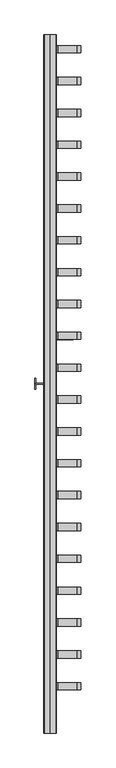
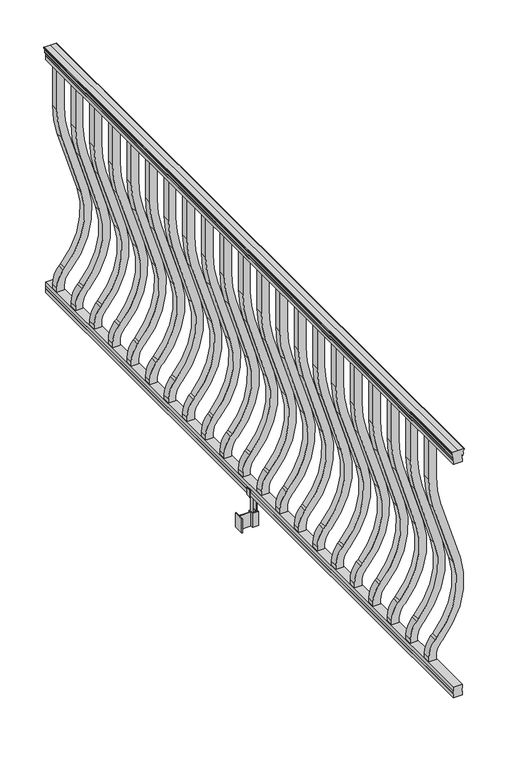
"""IFC4 building model written with IfcOpenShell, lengths in millimetres: railing geometry."""

from ifc_helpers import new_model, si_unit, point, frame, frame_2d, origin, place, context, project, spatial, polyline, circle_curve, trimmed, segment, composite_curve, outline, extrude, source, transform, mapped, element, save


def railing_dcac735f(model_context):
    return source(origin(), model_context, "Body", "SweptSolid", [
        extrude(outline(composite_curve([segment(polyline([(938.4043297, 949.2470786), (940.292412, 949.2470786)]), True, "CONTINUOUS"), segment(trimmed(circle_curve(frame_2d((946.0506383, 942.9323253)), 8.545951), [point((940.292412, 949.2470786))], [point((941.8546695, 950.3772649))], False, "CARTESIAN"), True, "CONTINUOUS"), segment(trimmed(circle_curve(frame_2d((945.4636577, 943.3693883)), 7.882584), [point((941.8546695, 950.3772649))], [point((949.0726458, 950.3772649))], False, "CARTESIAN"), True, "CONTINUOUS"), segment(trimmed(circle_curve(frame_2d((951.3112527, 953.8827124)), 4.1592695), [point((949.0726458, 950.3772649))], [point((951.5060812, 949.7280085))], True, "CARTESIAN"), True, "CONTINUOUS"), segment(trimmed(circle_curve(frame_2d((951.2508864, 955.1700189)), 5.4479907), [point((951.5060812, 949.7280085))], [point((955.8362083, 952.2280085))], True, "CARTESIAN"), True, "CONTINUOUS"), segment(trimmed(circle_curve(frame_2d((955.833395, 953.9368605)), 1.7088543), [point((955.8362083, 952.2280085))], [point((957.5157972, 953.6373509))], True, "CARTESIAN"), True, "CONTINUOUS"), segment(trimmed(circle_curve(frame_2d((958.6205318, 952.3199604)), 1.7192895), [point((957.5157972, 953.6373509))], [point((958.6205318, 954.0392499))], False, "CARTESIAN"), True, "CONTINUOUS"), segment(polyline([(958.6205318, 954.0392499), (959.9608158, 954.0392498)]), True, "CONTINUOUS"), segment(trimmed(circle_curve(frame_2d((959.9608158, 952.4858026)), 1.5534472), [point((959.9608158, 954.0392498))], [point((961.514263, 952.4858026))], False, "CARTESIAN"), True, "CONTINUOUS"), segment(polyline([(961.514263, 952.4858026), (961.514263, 931.8142498), (961.514263, 911.1426971)]), True, "CONTINUOUS"), segment(trimmed(circle_curve(frame_2d((959.9608158, 911.1426971)), 1.5534472), [point((961.514263, 911.1426971))], [point((959.9608158, 909.5892498))], False, "CARTESIAN"), True, "CONTINUOUS"), segment(polyline([(959.9608158, 909.5892498), (958.6205318, 909.5892498)]), True, "CONTINUOUS"), segment(trimmed(circle_curve(frame_2d((958.6205318, 911.3085393)), 1.7192895), [point((958.6205318, 909.5892498))], [point((957.5157972, 909.9911488))], False, "CARTESIAN"), True, "CONTINUOUS"), segment(trimmed(circle_curve(frame_2d((955.833395, 909.6916392)), 1.7088543), [point((957.5157972, 909.9911488))], [point((955.8362083, 911.4004912))], True, "CARTESIAN"), True, "CONTINUOUS"), segment(trimmed(circle_curve(frame_2d((951.2508864, 908.4584807)), 5.4479907), [point((955.8362083, 911.4004912))], [point((951.5060812, 913.9004912))], True, "CARTESIAN"), True, "CONTINUOUS"), segment(trimmed(circle_curve(frame_2d((951.3112527, 909.7457873)), 4.1592695), [point((951.5060812, 913.9004912))], [point((949.0726458, 913.2512348))], True, "CARTESIAN"), True, "CONTINUOUS"), segment(trimmed(circle_curve(frame_2d((945.4636577, 920.2591114)), 7.882584), [point((949.0726458, 913.2512348))], [point((941.8546695, 913.2512348))], False, "CARTESIAN"), True, "CONTINUOUS"), segment(trimmed(circle_curve(frame_2d((946.0506383, 920.6961744)), 8.545951), [point((941.8546695, 913.2512348))], [point((940.292412, 914.3814211))], False, "CARTESIAN"), True, "CONTINUOUS"), segment(polyline([(940.292412, 914.3814211), (938.4043297, 914.3814211)]), True, "CONTINUOUS"), segment(trimmed(circle_curve(frame_2d((938.4043297, 915.6683355)), 1.2869144), [point((938.4043297, 914.3814211))], [point((938.4043297, 916.9552498))], False, "CARTESIAN"), True, "CONTINUOUS"), segment(polyline([(938.4043297, 916.9552498), (927.9048283, 916.9552498), (926.8888283, 915.9392498), (914.4, 915.9392498), (914.4, 947.6892498), (926.731013, 947.6892498), (927.747013, 946.6732498), (938.4043297, 946.6732498)]), True, "CONTINUOUS"), segment(trimmed(circle_curve(frame_2d((938.4043297, 947.9601642)), 1.2869144), [point((938.4043297, 946.6732498))], [point((938.4043297, 949.2470786))], False, "CARTESIAN"), True, "CONTINUOUS")], self_intersect=False)), frame((0.0, -48197.7191011, 0.0), z_axis=(0.0, 1.0, 0.0), x_axis=(0.0, 0.0, 1.0)), (0.0, 0.0, 1.0), 2438.4),
        extrude(outline(polyline([(76.0541976, 947.7267367), (77.3546183, 946.7107367), (87.7141717, 946.7107367), (89.0624492, 947.7267367), (101.5958781, 947.7267367), (101.5958781, 915.9767367), (89.0458024, 915.9767367), (87.6975248, 916.9927367), (77.3858283, 916.9927367), (76.0375508, 915.9767367), (63.5, 915.9767367), (63.5, 947.7267367), (76.0541976, 947.7267367)])), frame((0.0, -48197.7191011, 0.0), z_axis=(0.0, 1.0, 0.0), x_axis=(0.0, 0.0, 1.0)), (0.0, 0.0, 1.0), 2438.4),
        extrude(outline(composite_curve([segment(polyline([(768.63216, 944.5142498), (914.4, 944.5142498), (914.4, 919.1142498), (768.63216, 919.1142498)]), True, "CONTINUOUS"), segment(trimmed(circle_curve(frame_2d((768.63216, 1291.8142498)), 372.7), [point((768.63216, 919.1142498))], [point((659.6652257, 935.3994673))], False, "CARTESIAN"), True, "CONTINUOUS"), segment(polyline([(659.6652257, 935.3994673), (437.8121964, 1003.2267451)]), True, "CONTINUOUS"), segment(trimmed(circle_curve(frame_2d((359.6612397, 747.6064839)), 267.3), [point((437.8121964, 1003.2267451))], [point((181.5522516, 946.9215067))], True, "CARTESIAN"), True, "CONTINUOUS"), segment(polyline([(181.5522516, 946.9215067), (175.3955374, 941.4198334)]), True, "CONTINUOUS"), segment(trimmed(circle_curve(frame_2d((116.9587313, 1006.8142498)), 87.7), [point((175.3955374, 941.4198334))], [point((116.9587313, 919.1142498))], False, "CARTESIAN"), True, "CONTINUOUS"), segment(polyline([(116.9587313, 919.1142498), (101.5958781, 919.1142498), (101.5958781, 944.5142498), (116.9587313, 944.5142498)]), True, "CONTINUOUS"), segment(trimmed(circle_curve(frame_2d((116.9587313, 1006.8142498)), 62.3), [point((116.9587313, 944.5142498))], [point((158.4708524, 960.3596074))], True, "CARTESIAN"), True, "CONTINUOUS"), segment(polyline([(158.4708524, 960.3596074), (164.6275666, 965.8612807)]), True, "CONTINUOUS"), segment(trimmed(circle_curve(frame_2d((359.6612397, 747.6064839)), 292.7), [point((164.6275666, 965.8612807))], [point((445.2384377, 1027.5168859))], False, "CARTESIAN"), True, "CONTINUOUS"), segment(polyline([(445.2384377, 1027.5168859), (667.091467, 959.6896081)]), True, "CONTINUOUS"), segment(trimmed(circle_curve(frame_2d((768.63216, 1291.8142498)), 347.3), [point((667.091467, 959.6896081))], [point((768.63216, 944.5142498))], True, "CARTESIAN"), True, "CONTINUOUS")], self_intersect=False)), frame((0.0, -45821.8031011, 0.0), z_axis=(0.0, 1.0, 0.0), x_axis=(0.0, 0.0, 1.0)), (0.0, 0.0, 1.0), 25.4),
        extrude(outline(composite_curve([segment(polyline([(768.63216, 944.5142498), (914.4, 944.5142498), (914.4, 919.1142498), (768.63216, 919.1142498)]), True, "CONTINUOUS"), segment(trimmed(circle_curve(frame_2d((768.63216, 1291.8142498)), 372.7), [point((768.63216, 919.1142498))], [point((659.6652257, 935.3994673))], False, "CARTESIAN"), True, "CONTINUOUS"), segment(polyline([(659.6652257, 935.3994673), (437.8121964, 1003.2267451)]), True, "CONTINUOUS"), segment(trimmed(circle_curve(frame_2d((359.6612397, 747.6064839)), 267.3), [point((437.8121964, 1003.2267451))], [point((181.5522516, 946.9215067))], True, "CARTESIAN"), True, "CONTINUOUS"), segment(polyline([(181.5522516, 946.9215067), (175.3955374, 941.4198334)]), True, "CONTINUOUS"), segment(trimmed(circle_curve(frame_2d((116.9587313, 1006.8142498)), 87.7), [point((175.3955374, 941.4198334))], [point((116.9587313, 919.1142498))], False, "CARTESIAN"), True, "CONTINUOUS"), segment(polyline([(116.9587313, 919.1142498), (101.5958781, 919.1142498), (101.5958781, 944.5142498), (116.9587313, 944.5142498)]), True, "CONTINUOUS"), segment(trimmed(circle_curve(frame_2d((116.9587313, 1006.8142498)), 62.3), [point((116.9587313, 944.5142498))], [point((158.4708524, 960.3596074))], True, "CARTESIAN"), True, "CONTINUOUS"), segment(polyline([(158.4708524, 960.3596074), (164.6275666, 965.8612807)]), True, "CONTINUOUS"), segment(trimmed(circle_curve(frame_2d((359.6612397, 747.6064839)), 292.7), [point((164.6275666, 965.8612807))], [point((445.2384377, 1027.5168859))], False, "CARTESIAN"), True, "CONTINUOUS"), segment(polyline([(445.2384377, 1027.5168859), (667.091467, 959.6896081)]), True, "CONTINUOUS"), segment(trimmed(circle_curve(frame_2d((768.63216, 1291.8142498)), 347.3), [point((667.091467, 959.6896081))], [point((768.63216, 944.5142498))], True, "CARTESIAN"), True, "CONTINUOUS")], self_intersect=False)), frame((0.0, -45933.0551011, 0.0), z_axis=(0.0, 1.0, 0.0), x_axis=(0.0, 0.0, 1.0)), (0.0, 0.0, 1.0), 25.4),
        extrude(outline(composite_curve([segment(polyline([(768.63216, 944.5142498), (914.4, 944.5142498), (914.4, 919.1142498), (768.63216, 919.1142498)]), True, "CONTINUOUS"), segment(trimmed(circle_curve(frame_2d((768.63216, 1291.8142498)), 372.7), [point((768.63216, 919.1142498))], [point((659.6652257, 935.3994673))], False, "CARTESIAN"), True, "CONTINUOUS"), segment(polyline([(659.6652257, 935.3994673), (437.8121964, 1003.2267451)]), True, "CONTINUOUS"), segment(trimmed(circle_curve(frame_2d((359.6612397, 747.6064839)), 267.3), [point((437.8121964, 1003.2267451))], [point((181.5522516, 946.9215067))], True, "CARTESIAN"), True, "CONTINUOUS"), segment(polyline([(181.5522516, 946.9215067), (175.3955374, 941.4198334)]), True, "CONTINUOUS"), segment(trimmed(circle_curve(frame_2d((116.9587313, 1006.8142498)), 87.7), [point((175.3955374, 941.4198334))], [point((116.9587313, 919.1142498))], False, "CARTESIAN"), True, "CONTINUOUS"), segment(polyline([(116.9587313, 919.1142498), (101.5958781, 919.1142498), (101.5958781, 944.5142498), (116.9587313, 944.5142498)]), True, "CONTINUOUS"), segment(trimmed(circle_curve(frame_2d((116.9587313, 1006.8142498)), 62.3), [point((116.9587313, 944.5142498))], [point((158.4708524, 960.3596074))], True, "CARTESIAN"), True, "CONTINUOUS"), segment(polyline([(158.4708524, 960.3596074), (164.6275666, 965.8612807)]), True, "CONTINUOUS"), segment(trimmed(circle_curve(frame_2d((359.6612397, 747.6064839)), 292.7), [point((164.6275666, 965.8612807))], [point((445.2384377, 1027.5168859))], False, "CARTESIAN"), True, "CONTINUOUS"), segment(polyline([(445.2384377, 1027.5168859), (667.091467, 959.6896081)]), True, "CONTINUOUS"), segment(trimmed(circle_curve(frame_2d((768.63216, 1291.8142498)), 347.3), [point((667.091467, 959.6896081))], [point((768.63216, 944.5142498))], True, "CARTESIAN"), True, "CONTINUOUS")], self_intersect=False)), frame((0.0, -46044.3071011, 0.0), z_axis=(0.0, 1.0, 0.0), x_axis=(0.0, 0.0, 1.0)), (0.0, 0.0, 1.0), 25.4),
        extrude(outline(composite_curve([segment(polyline([(768.63216, 944.5142498), (914.4, 944.5142498), (914.4, 919.1142498), (768.63216, 919.1142498)]), True, "CONTINUOUS"), segment(trimmed(circle_curve(frame_2d((768.63216, 1291.8142498)), 372.7), [point((768.63216, 919.1142498))], [point((659.6652257, 935.3994673))], False, "CARTESIAN"), True, "CONTINUOUS"), segment(polyline([(659.6652257, 935.3994673), (437.8121964, 1003.2267451)]), True, "CONTINUOUS"), segment(trimmed(circle_curve(frame_2d((359.6612397, 747.6064839)), 267.3), [point((437.8121964, 1003.2267451))], [point((181.5522516, 946.9215067))], True, "CARTESIAN"), True, "CONTINUOUS"), segment(polyline([(181.5522516, 946.9215067), (175.3955374, 941.4198334)]), True, "CONTINUOUS"), segment(trimmed(circle_curve(frame_2d((116.9587313, 1006.8142498)), 87.7), [point((175.3955374, 941.4198334))], [point((116.9587313, 919.1142498))], False, "CARTESIAN"), True, "CONTINUOUS"), segment(polyline([(116.9587313, 919.1142498), (101.5958781, 919.1142498), (101.5958781, 944.5142498), (116.9587313, 944.5142498)]), True, "CONTINUOUS"), segment(trimmed(circle_curve(frame_2d((116.9587313, 1006.8142498)), 62.3), [point((116.9587313, 944.5142498))], [point((158.4708524, 960.3596074))], True, "CARTESIAN"), True, "CONTINUOUS"), segment(polyline([(158.4708524, 960.3596074), (164.6275666, 965.8612807)]), True, "CONTINUOUS"), segment(trimmed(circle_curve(frame_2d((359.6612397, 747.6064839)), 292.7), [point((164.6275666, 965.8612807))], [point((445.2384377, 1027.5168859))], False, "CARTESIAN"), True, "CONTINUOUS"), segment(polyline([(445.2384377, 1027.5168859), (667.091467, 959.6896081)]), True, "CONTINUOUS"), segment(trimmed(circle_curve(frame_2d((768.63216, 1291.8142498)), 347.3), [point((667.091467, 959.6896081))], [point((768.63216, 944.5142498))], True, "CARTESIAN"), True, "CONTINUOUS")], self_intersect=False)), frame((0.0, -46155.5591011, 0.0), z_axis=(0.0, 1.0, 0.0), x_axis=(0.0, 0.0, 1.0)), (0.0, 0.0, 1.0), 25.4),
        extrude(outline(composite_curve([segment(polyline([(768.63216, 944.5142498), (914.4, 944.5142498), (914.4, 919.1142498), (768.63216, 919.1142498)]), True, "CONTINUOUS"), segment(trimmed(circle_curve(frame_2d((768.63216, 1291.8142498)), 372.7), [point((768.63216, 919.1142498))], [point((659.6652257, 935.3994673))], False, "CARTESIAN"), True, "CONTINUOUS"), segment(polyline([(659.6652257, 935.3994673), (437.8121964, 1003.2267451)]), True, "CONTINUOUS"), segment(trimmed(circle_curve(frame_2d((359.6612397, 747.6064839)), 267.3), [point((437.8121964, 1003.2267451))], [point((181.5522516, 946.9215067))], True, "CARTESIAN"), True, "CONTINUOUS"), segment(polyline([(181.5522516, 946.9215067), (175.3955374, 941.4198334)]), True, "CONTINUOUS"), segment(trimmed(circle_curve(frame_2d((116.9587313, 1006.8142498)), 87.7), [point((175.3955374, 941.4198334))], [point((116.9587313, 919.1142498))], False, "CARTESIAN"), True, "CONTINUOUS"), segment(polyline([(116.9587313, 919.1142498), (101.5958781, 919.1142498), (101.5958781, 944.5142498), (116.9587313, 944.5142498)]), True, "CONTINUOUS"), segment(trimmed(circle_curve(frame_2d((116.9587313, 1006.8142498)), 62.3), [point((116.9587313, 944.5142498))], [point((158.4708524, 960.3596074))], True, "CARTESIAN"), True, "CONTINUOUS"), segment(polyline([(158.4708524, 960.3596074), (164.6275666, 965.8612807)]), True, "CONTINUOUS"), segment(trimmed(circle_curve(frame_2d((359.6612397, 747.6064839)), 292.7), [point((164.6275666, 965.8612807))], [point((445.2384377, 1027.5168859))], False, "CARTESIAN"), True, "CONTINUOUS"), segment(polyline([(445.2384377, 1027.5168859), (667.091467, 959.6896081)]), True, "CONTINUOUS"), segment(trimmed(circle_curve(frame_2d((768.63216, 1291.8142498)), 347.3), [point((667.091467, 959.6896081))], [point((768.63216, 944.5142498))], True, "CARTESIAN"), True, "CONTINUOUS")], self_intersect=False)), frame((0.0, -46266.8111011, 0.0), z_axis=(0.0, 1.0, 0.0), x_axis=(0.0, 0.0, 1.0)), (0.0, 0.0, 1.0), 25.4),
        extrude(outline(composite_curve([segment(polyline([(768.63216, 944.5142498), (914.4, 944.5142498), (914.4, 919.1142498), (768.63216, 919.1142498)]), True, "CONTINUOUS"), segment(trimmed(circle_curve(frame_2d((768.63216, 1291.8142498)), 372.7), [point((768.63216, 919.1142498))], [point((659.6652257, 935.3994673))], False, "CARTESIAN"), True, "CONTINUOUS"), segment(polyline([(659.6652257, 935.3994673), (437.8121964, 1003.2267451)]), True, "CONTINUOUS"), segment(trimmed(circle_curve(frame_2d((359.6612397, 747.6064839)), 267.3), [point((437.8121964, 1003.2267451))], [point((181.5522516, 946.9215067))], True, "CARTESIAN"), True, "CONTINUOUS"), segment(polyline([(181.5522516, 946.9215067), (175.3955374, 941.4198334)]), True, "CONTINUOUS"), segment(trimmed(circle_curve(frame_2d((116.9587313, 1006.8142498)), 87.7), [point((175.3955374, 941.4198334))], [point((116.9587313, 919.1142498))], False, "CARTESIAN"), True, "CONTINUOUS"), segment(polyline([(116.9587313, 919.1142498), (101.5958781, 919.1142498), (101.5958781, 944.5142498), (116.9587313, 944.5142498)]), True, "CONTINUOUS"), segment(trimmed(circle_curve(frame_2d((116.9587313, 1006.8142498)), 62.3), [point((116.9587313, 944.5142498))], [point((158.4708524, 960.3596074))], True, "CARTESIAN"), True, "CONTINUOUS"), segment(polyline([(158.4708524, 960.3596074), (164.6275666, 965.8612807)]), True, "CONTINUOUS"), segment(trimmed(circle_curve(frame_2d((359.6612397, 747.6064839)), 292.7), [point((164.6275666, 965.8612807))], [point((445.2384377, 1027.5168859))], False, "CARTESIAN"), True, "CONTINUOUS"), segment(polyline([(445.2384377, 1027.5168859), (667.091467, 959.6896081)]), True, "CONTINUOUS"), segment(trimmed(circle_curve(frame_2d((768.63216, 1291.8142498)), 347.3), [point((667.091467, 959.6896081))], [point((768.63216, 944.5142498))], True, "CARTESIAN"), True, "CONTINUOUS")], self_intersect=False)), frame((0.0, -46378.0631011, 0.0), z_axis=(0.0, 1.0, 0.0), x_axis=(0.0, 0.0, 1.0)), (0.0, 0.0, 1.0), 25.4),
        extrude(outline(composite_curve([segment(polyline([(768.63216, 944.5142498), (914.4, 944.5142498), (914.4, 919.1142498), (768.63216, 919.1142498)]), True, "CONTINUOUS"), segment(trimmed(circle_curve(frame_2d((768.63216, 1291.8142498)), 372.7), [point((768.63216, 919.1142498))], [point((659.6652257, 935.3994673))], False, "CARTESIAN"), True, "CONTINUOUS"), segment(polyline([(659.6652257, 935.3994673), (437.8121964, 1003.2267451)]), True, "CONTINUOUS"), segment(trimmed(circle_curve(frame_2d((359.6612397, 747.6064839)), 267.3), [point((437.8121964, 1003.2267451))], [point((181.5522516, 946.9215067))], True, "CARTESIAN"), True, "CONTINUOUS"), segment(polyline([(181.5522516, 946.9215067), (175.3955374, 941.4198334)]), True, "CONTINUOUS"), segment(trimmed(circle_curve(frame_2d((116.9587313, 1006.8142498)), 87.7), [point((175.3955374, 941.4198334))], [point((116.9587313, 919.1142498))], False, "CARTESIAN"), True, "CONTINUOUS"), segment(polyline([(116.9587313, 919.1142498), (101.5958781, 919.1142498), (101.5958781, 944.5142498), (116.9587313, 944.5142498)]), True, "CONTINUOUS"), segment(trimmed(circle_curve(frame_2d((116.9587313, 1006.8142498)), 62.3), [point((116.9587313, 944.5142498))], [point((158.4708524, 960.3596074))], True, "CARTESIAN"), True, "CONTINUOUS"), segment(polyline([(158.4708524, 960.3596074), (164.6275666, 965.8612807)]), True, "CONTINUOUS"), segment(trimmed(circle_curve(frame_2d((359.6612397, 747.6064839)), 292.7), [point((164.6275666, 965.8612807))], [point((445.2384377, 1027.5168859))], False, "CARTESIAN"), True, "CONTINUOUS"), segment(polyline([(445.2384377, 1027.5168859), (667.091467, 959.6896081)]), True, "CONTINUOUS"), segment(trimmed(circle_curve(frame_2d((768.63216, 1291.8142498)), 347.3), [point((667.091467, 959.6896081))], [point((768.63216, 944.5142498))], True, "CARTESIAN"), True, "CONTINUOUS")], self_intersect=False)), frame((0.0, -46489.3151011, 0.0), z_axis=(0.0, 1.0, 0.0), x_axis=(0.0, 0.0, 1.0)), (0.0, 0.0, 1.0), 25.4),
        extrude(outline(composite_curve([segment(polyline([(768.63216, 944.5142498), (914.4, 944.5142498), (914.4, 919.1142498), (768.63216, 919.1142498)]), True, "CONTINUOUS"), segment(trimmed(circle_curve(frame_2d((768.63216, 1291.8142498)), 372.7), [point((768.63216, 919.1142498))], [point((659.6652257, 935.3994673))], False, "CARTESIAN"), True, "CONTINUOUS"), segment(polyline([(659.6652257, 935.3994673), (437.8121964, 1003.2267451)]), True, "CONTINUOUS"), segment(trimmed(circle_curve(frame_2d((359.6612397, 747.6064839)), 267.3), [point((437.8121964, 1003.2267451))], [point((181.5522516, 946.9215067))], True, "CARTESIAN"), True, "CONTINUOUS"), segment(polyline([(181.5522516, 946.9215067), (175.3955374, 941.4198334)]), True, "CONTINUOUS"), segment(trimmed(circle_curve(frame_2d((116.9587313, 1006.8142498)), 87.7), [point((175.3955374, 941.4198334))], [point((116.9587313, 919.1142498))], False, "CARTESIAN"), True, "CONTINUOUS"), segment(polyline([(116.9587313, 919.1142498), (101.5958781, 919.1142498), (101.5958781, 944.5142498), (116.9587313, 944.5142498)]), True, "CONTINUOUS"), segment(trimmed(circle_curve(frame_2d((116.9587313, 1006.8142498)), 62.3), [point((116.9587313, 944.5142498))], [point((158.4708524, 960.3596074))], True, "CARTESIAN"), True, "CONTINUOUS"), segment(polyline([(158.4708524, 960.3596074), (164.6275666, 965.8612807)]), True, "CONTINUOUS"), segment(trimmed(circle_curve(frame_2d((359.6612397, 747.6064839)), 292.7), [point((164.6275666, 965.8612807))], [point((445.2384377, 1027.5168859))], False, "CARTESIAN"), True, "CONTINUOUS"), segment(polyline([(445.2384377, 1027.5168859), (667.091467, 959.6896081)]), True, "CONTINUOUS"), segment(trimmed(circle_curve(frame_2d((768.63216, 1291.8142498)), 347.3), [point((667.091467, 959.6896081))], [point((768.63216, 944.5142498))], True, "CARTESIAN"), True, "CONTINUOUS")], self_intersect=False)), frame((0.0, -46600.5671011, 0.0), z_axis=(0.0, 1.0, 0.0), x_axis=(0.0, 0.0, 1.0)), (0.0, 0.0, 1.0), 25.4),
        extrude(outline(composite_curve([segment(polyline([(768.63216, 944.5142498), (914.4, 944.5142498), (914.4, 919.1142498), (768.63216, 919.1142498)]), True, "CONTINUOUS"), segment(trimmed(circle_curve(frame_2d((768.63216, 1291.8142498)), 372.7), [point((768.63216, 919.1142498))], [point((659.6652257, 935.3994673))], False, "CARTESIAN"), True, "CONTINUOUS"), segment(polyline([(659.6652257, 935.3994673), (437.8121964, 1003.2267451)]), True, "CONTINUOUS"), segment(trimmed(circle_curve(frame_2d((359.6612397, 747.6064839)), 267.3), [point((437.8121964, 1003.2267451))], [point((181.5522516, 946.9215067))], True, "CARTESIAN"), True, "CONTINUOUS"), segment(polyline([(181.5522516, 946.9215067), (175.3955374, 941.4198334)]), True, "CONTINUOUS"), segment(trimmed(circle_curve(frame_2d((116.9587313, 1006.8142498)), 87.7), [point((175.3955374, 941.4198334))], [point((116.9587313, 919.1142498))], False, "CARTESIAN"), True, "CONTINUOUS"), segment(polyline([(116.9587313, 919.1142498), (101.5958781, 919.1142498), (101.5958781, 944.5142498), (116.9587313, 944.5142498)]), True, "CONTINUOUS"), segment(trimmed(circle_curve(frame_2d((116.9587313, 1006.8142498)), 62.3), [point((116.9587313, 944.5142498))], [point((158.4708524, 960.3596074))], True, "CARTESIAN"), True, "CONTINUOUS"), segment(polyline([(158.4708524, 960.3596074), (164.6275666, 965.8612807)]), True, "CONTINUOUS"), segment(trimmed(circle_curve(frame_2d((359.6612397, 747.6064839)), 292.7), [point((164.6275666, 965.8612807))], [point((445.2384377, 1027.5168859))], False, "CARTESIAN"), True, "CONTINUOUS"), segment(polyline([(445.2384377, 1027.5168859), (667.091467, 959.6896081)]), True, "CONTINUOUS"), segment(trimmed(circle_curve(frame_2d((768.63216, 1291.8142498)), 347.3), [point((667.091467, 959.6896081))], [point((768.63216, 944.5142498))], True, "CARTESIAN"), True, "CONTINUOUS")], self_intersect=False)), frame((0.0, -46711.8191011, 0.0), z_axis=(0.0, 1.0, 0.0), x_axis=(0.0, 0.0, 1.0)), (0.0, 0.0, 1.0), 25.4),
        extrude(outline(composite_curve([segment(polyline([(768.63216, 944.5142498), (914.4, 944.5142498), (914.4, 919.1142498), (768.63216, 919.1142498)]), True, "CONTINUOUS"), segment(trimmed(circle_curve(frame_2d((768.63216, 1291.8142498)), 372.7), [point((768.63216, 919.1142498))], [point((659.6652257, 935.3994673))], False, "CARTESIAN"), True, "CONTINUOUS"), segment(polyline([(659.6652257, 935.3994673), (437.8121964, 1003.2267451)]), True, "CONTINUOUS"), segment(trimmed(circle_curve(frame_2d((359.6612397, 747.6064839)), 267.3), [point((437.8121964, 1003.2267451))], [point((181.5522516, 946.9215067))], True, "CARTESIAN"), True, "CONTINUOUS"), segment(polyline([(181.5522516, 946.9215067), (175.3955374, 941.4198334)]), True, "CONTINUOUS"), segment(trimmed(circle_curve(frame_2d((116.9587313, 1006.8142498)), 87.7), [point((175.3955374, 941.4198334))], [point((116.9587313, 919.1142498))], False, "CARTESIAN"), True, "CONTINUOUS"), segment(polyline([(116.9587313, 919.1142498), (101.5958781, 919.1142498), (101.5958781, 944.5142498), (116.9587313, 944.5142498)]), True, "CONTINUOUS"), segment(trimmed(circle_curve(frame_2d((116.9587313, 1006.8142498)), 62.3), [point((116.9587313, 944.5142498))], [point((158.4708524, 960.3596074))], True, "CARTESIAN"), True, "CONTINUOUS"), segment(polyline([(158.4708524, 960.3596074), (164.6275666, 965.8612807)]), True, "CONTINUOUS"), segment(trimmed(circle_curve(frame_2d((359.6612397, 747.6064839)), 292.7), [point((164.6275666, 965.8612807))], [point((445.2384377, 1027.5168859))], False, "CARTESIAN"), True, "CONTINUOUS"), segment(polyline([(445.2384377, 1027.5168859), (667.091467, 959.6896081)]), True, "CONTINUOUS"), segment(trimmed(circle_curve(frame_2d((768.63216, 1291.8142498)), 347.3), [point((667.091467, 959.6896081))], [point((768.63216, 944.5142498))], True, "CARTESIAN"), True, "CONTINUOUS")], self_intersect=False)), frame((0.0, -46823.0711011, 0.0), z_axis=(0.0, 1.0, 0.0), x_axis=(0.0, 0.0, 1.0)), (0.0, 0.0, 1.0), 25.4),
        extrude(outline(composite_curve([segment(polyline([(768.63216, 944.5142498), (914.4, 944.5142498), (914.4, 919.1142498), (768.63216, 919.1142498)]), True, "CONTINUOUS"), segment(trimmed(circle_curve(frame_2d((768.63216, 1291.8142498)), 372.7), [point((768.63216, 919.1142498))], [point((659.6652257, 935.3994673))], False, "CARTESIAN"), True, "CONTINUOUS"), segment(polyline([(659.6652257, 935.3994673), (437.8121964, 1003.2267451)]), True, "CONTINUOUS"), segment(trimmed(circle_curve(frame_2d((359.6612397, 747.6064839)), 267.3), [point((437.8121964, 1003.2267451))], [point((181.5522516, 946.9215067))], True, "CARTESIAN"), True, "CONTINUOUS"), segment(polyline([(181.5522516, 946.9215067), (175.3955374, 941.4198334)]), True, "CONTINUOUS"), segment(trimmed(circle_curve(frame_2d((116.9587313, 1006.8142498)), 87.7), [point((175.3955374, 941.4198334))], [point((116.9587313, 919.1142498))], False, "CARTESIAN"), True, "CONTINUOUS"), segment(polyline([(116.9587313, 919.1142498), (101.5958781, 919.1142498), (101.5958781, 944.5142498), (116.9587313, 944.5142498)]), True, "CONTINUOUS"), segment(trimmed(circle_curve(frame_2d((116.9587313, 1006.8142498)), 62.3), [point((116.9587313, 944.5142498))], [point((158.4708524, 960.3596074))], True, "CARTESIAN"), True, "CONTINUOUS"), segment(polyline([(158.4708524, 960.3596074), (164.6275666, 965.8612807)]), True, "CONTINUOUS"), segment(trimmed(circle_curve(frame_2d((359.6612397, 747.6064839)), 292.7), [point((164.6275666, 965.8612807))], [point((445.2384377, 1027.5168859))], False, "CARTESIAN"), True, "CONTINUOUS"), segment(polyline([(445.2384377, 1027.5168859), (667.091467, 959.6896081)]), True, "CONTINUOUS"), segment(trimmed(circle_curve(frame_2d((768.63216, 1291.8142498)), 347.3), [point((667.091467, 959.6896081))], [point((768.63216, 944.5142498))], True, "CARTESIAN"), True, "CONTINUOUS")], self_intersect=False)), frame((0.0, -46934.3231011, 0.0), z_axis=(0.0, 1.0, 0.0), x_axis=(0.0, 0.0, 1.0)), (0.0, 0.0, 1.0), 25.4),
        extrude(outline(polyline([(921.1462501, -46978.5191011), (881.7762498, -46978.5191011), (881.7762498, -46975.9791011), (921.1462501, -46975.9791011), (921.1462501, -46978.5191011)])), frame((0.0, 0.0, -50.8), z_axis=(0.0, 0.0, 1.0), x_axis=(1.0, 0.0, 0.0)), (0.0, 0.0, 1.0), 50.8),
        extrude(outline(polyline([(881.7762498, -46996.2991011), (879.2362498, -46996.2991011), (879.2362498, -46958.1991011), (881.7762498, -46958.1991011), (881.7762498, -46996.2991011)])), frame((0.0, 0.0, -50.8), z_axis=(0.0, 0.0, 1.0), x_axis=(1.0, 0.0, 0.0)), (0.0, 0.0, 1.0), 50.8),
        extrude(outline(polyline([(942.4822506, -46987.1551011), (921.1462501, -46987.1551011), (921.1462501, -46967.3431011), (942.4822506, -46967.3431011), (942.4822506, -46987.1551011)]), holes=[polyline([(939.1802505, -46984.6151011), (939.1802505, -46969.8831011), (924.4482501, -46969.8831011), (924.4482501, -46984.6151011), (939.1802505, -46984.6151011)])]), frame((0.0, 0.0, -50.8), z_axis=(0.0, 0.0, 1.0), x_axis=(1.0, 0.0, 0.0)), (0.0, 0.0, 1.0), 50.8),
        extrude(outline(polyline([(88.7203979, 913.653251), (87.9583969, 912.89125), (61.4680023, 912.89125), (60.7060013, 913.653251), (60.7060013, 923.6862501), (59.9440012, 924.4482501), (-3.5559988, 924.4482501), (-3.5559988, 939.1802505), (59.9440012, 939.1802505), (60.7060013, 939.9422506), (60.7060013, 949.9752496), (61.4680023, 950.7372507), (87.9583969, 950.7372507), (88.7203979, 949.9752496), (88.7203979, 947.94325), (87.7043953, 946.9272502), (77.2686081, 946.9272502), (76.2526073, 947.94325), (64.262001, 947.94325), (63.5000019, 947.1812509), (63.5000019, 916.4472497), (64.262001, 915.6852506), (76.2526073, 915.6852506), (77.2686081, 916.7012504), (87.7043953, 916.7012504), (88.7203979, 915.6852506), (88.7203979, 913.653251)]), holes=[polyline([(60.7060013, 935.2432502), (59.9440012, 936.0052503), (3.9370031, 936.0052503), (3.1750031, 935.2432502), (3.1750031, 928.3852476), (3.9370003, 927.6232503), (59.9440012, 927.6232503), (60.7060013, 928.3852504), (60.7060013, 935.2432502)])]), frame((0.0, -46984.6151011, 0.0), z_axis=(0.0, 1.0, 0.0), x_axis=(0.0, 0.0, 1.0)), (0.0, 0.0, 1.0), 14.732),
        extrude(outline(composite_curve([segment(polyline([(768.63216, 944.5142498), (914.4, 944.5142498), (914.4, 919.1142498), (768.63216, 919.1142498)]), True, "CONTINUOUS"), segment(trimmed(circle_curve(frame_2d((768.63216, 1291.8142498)), 372.7), [point((768.63216, 919.1142498))], [point((659.6652257, 935.3994673))], False, "CARTESIAN"), True, "CONTINUOUS"), segment(polyline([(659.6652257, 935.3994673), (437.8121964, 1003.2267451)]), True, "CONTINUOUS"), segment(trimmed(circle_curve(frame_2d((359.6612397, 747.6064839)), 267.3), [point((437.8121964, 1003.2267451))], [point((181.5522516, 946.9215067))], True, "CARTESIAN"), True, "CONTINUOUS"), segment(polyline([(181.5522516, 946.9215067), (175.3955374, 941.4198334)]), True, "CONTINUOUS"), segment(trimmed(circle_curve(frame_2d((116.9587313, 1006.8142498)), 87.7), [point((175.3955374, 941.4198334))], [point((116.9587313, 919.1142498))], False, "CARTESIAN"), True, "CONTINUOUS"), segment(polyline([(116.9587313, 919.1142498), (101.5958781, 919.1142498), (101.5958781, 944.5142498), (116.9587313, 944.5142498)]), True, "CONTINUOUS"), segment(trimmed(circle_curve(frame_2d((116.9587313, 1006.8142498)), 62.3), [point((116.9587313, 944.5142498))], [point((158.4708524, 960.3596074))], True, "CARTESIAN"), True, "CONTINUOUS"), segment(polyline([(158.4708524, 960.3596074), (164.6275666, 965.8612807)]), True, "CONTINUOUS"), segment(trimmed(circle_curve(frame_2d((359.6612397, 747.6064839)), 292.7), [point((164.6275666, 965.8612807))], [point((445.2384377, 1027.5168859))], False, "CARTESIAN"), True, "CONTINUOUS"), segment(polyline([(445.2384377, 1027.5168859), (667.091467, 959.6896081)]), True, "CONTINUOUS"), segment(trimmed(circle_curve(frame_2d((768.63216, 1291.8142498)), 347.3), [point((667.091467, 959.6896081))], [point((768.63216, 944.5142498))], True, "CARTESIAN"), True, "CONTINUOUS")], self_intersect=False)), frame((0.0, -47045.5751011, 0.0), z_axis=(0.0, 1.0, 0.0), x_axis=(0.0, 0.0, 1.0)), (0.0, 0.0, 1.0), 25.4),
        extrude(outline(composite_curve([segment(polyline([(768.63216, 944.5142498), (914.4, 944.5142498), (914.4, 919.1142498), (768.63216, 919.1142498)]), True, "CONTINUOUS"), segment(trimmed(circle_curve(frame_2d((768.63216, 1291.8142498)), 372.7), [point((768.63216, 919.1142498))], [point((659.6652257, 935.3994673))], False, "CARTESIAN"), True, "CONTINUOUS"), segment(polyline([(659.6652257, 935.3994673), (437.8121964, 1003.2267451)]), True, "CONTINUOUS"), segment(trimmed(circle_curve(frame_2d((359.6612397, 747.6064839)), 267.3), [point((437.8121964, 1003.2267451))], [point((181.5522516, 946.9215067))], True, "CARTESIAN"), True, "CONTINUOUS"), segment(polyline([(181.5522516, 946.9215067), (175.3955374, 941.4198334)]), True, "CONTINUOUS"), segment(trimmed(circle_curve(frame_2d((116.9587313, 1006.8142498)), 87.7), [point((175.3955374, 941.4198334))], [point((116.9587313, 919.1142498))], False, "CARTESIAN"), True, "CONTINUOUS"), segment(polyline([(116.9587313, 919.1142498), (101.5958781, 919.1142498), (101.5958781, 944.5142498), (116.9587313, 944.5142498)]), True, "CONTINUOUS"), segment(trimmed(circle_curve(frame_2d((116.9587313, 1006.8142498)), 62.3), [point((116.9587313, 944.5142498))], [point((158.4708524, 960.3596074))], True, "CARTESIAN"), True, "CONTINUOUS"), segment(polyline([(158.4708524, 960.3596074), (164.6275666, 965.8612807)]), True, "CONTINUOUS"), segment(trimmed(circle_curve(frame_2d((359.6612397, 747.6064839)), 292.7), [point((164.6275666, 965.8612807))], [point((445.2384377, 1027.5168859))], False, "CARTESIAN"), True, "CONTINUOUS"), segment(polyline([(445.2384377, 1027.5168859), (667.091467, 959.6896081)]), True, "CONTINUOUS"), segment(trimmed(circle_curve(frame_2d((768.63216, 1291.8142498)), 347.3), [point((667.091467, 959.6896081))], [point((768.63216, 944.5142498))], True, "CARTESIAN"), True, "CONTINUOUS")], self_intersect=False)), frame((0.0, -47156.8271011, 0.0), z_axis=(0.0, 1.0, 0.0), x_axis=(0.0, 0.0, 1.0)), (0.0, 0.0, 1.0), 25.4),
        extrude(outline(composite_curve([segment(polyline([(768.63216, 944.5142498), (914.4, 944.5142498), (914.4, 919.1142498), (768.63216, 919.1142498)]), True, "CONTINUOUS"), segment(trimmed(circle_curve(frame_2d((768.63216, 1291.8142498)), 372.7), [point((768.63216, 919.1142498))], [point((659.6652257, 935.3994673))], False, "CARTESIAN"), True, "CONTINUOUS"), segment(polyline([(659.6652257, 935.3994673), (437.8121964, 1003.2267451)]), True, "CONTINUOUS"), segment(trimmed(circle_curve(frame_2d((359.6612397, 747.6064839)), 267.3), [point((437.8121964, 1003.2267451))], [point((181.5522516, 946.9215067))], True, "CARTESIAN"), True, "CONTINUOUS"), segment(polyline([(181.5522516, 946.9215067), (175.3955374, 941.4198334)]), True, "CONTINUOUS"), segment(trimmed(circle_curve(frame_2d((116.9587313, 1006.8142498)), 87.7), [point((175.3955374, 941.4198334))], [point((116.9587313, 919.1142498))], False, "CARTESIAN"), True, "CONTINUOUS"), segment(polyline([(116.9587313, 919.1142498), (101.5958781, 919.1142498), (101.5958781, 944.5142498), (116.9587313, 944.5142498)]), True, "CONTINUOUS"), segment(trimmed(circle_curve(frame_2d((116.9587313, 1006.8142498)), 62.3), [point((116.9587313, 944.5142498))], [point((158.4708524, 960.3596074))], True, "CARTESIAN"), True, "CONTINUOUS"), segment(polyline([(158.4708524, 960.3596074), (164.6275666, 965.8612807)]), True, "CONTINUOUS"), segment(trimmed(circle_curve(frame_2d((359.6612397, 747.6064839)), 292.7), [point((164.6275666, 965.8612807))], [point((445.2384377, 1027.5168859))], False, "CARTESIAN"), True, "CONTINUOUS"), segment(polyline([(445.2384377, 1027.5168859), (667.091467, 959.6896081)]), True, "CONTINUOUS"), segment(trimmed(circle_curve(frame_2d((768.63216, 1291.8142498)), 347.3), [point((667.091467, 959.6896081))], [point((768.63216, 944.5142498))], True, "CARTESIAN"), True, "CONTINUOUS")], self_intersect=False)), frame((0.0, -47268.0791011, 0.0), z_axis=(0.0, 1.0, 0.0), x_axis=(0.0, 0.0, 1.0)), (0.0, 0.0, 1.0), 25.4),
        extrude(outline(composite_curve([segment(polyline([(768.63216, 944.5142498), (914.4, 944.5142498), (914.4, 919.1142498), (768.63216, 919.1142498)]), True, "CONTINUOUS"), segment(trimmed(circle_curve(frame_2d((768.63216, 1291.8142498)), 372.7), [point((768.63216, 919.1142498))], [point((659.6652257, 935.3994673))], False, "CARTESIAN"), True, "CONTINUOUS"), segment(polyline([(659.6652257, 935.3994673), (437.8121964, 1003.2267451)]), True, "CONTINUOUS"), segment(trimmed(circle_curve(frame_2d((359.6612397, 747.6064839)), 267.3), [point((437.8121964, 1003.2267451))], [point((181.5522516, 946.9215067))], True, "CARTESIAN"), True, "CONTINUOUS"), segment(polyline([(181.5522516, 946.9215067), (175.3955374, 941.4198334)]), True, "CONTINUOUS"), segment(trimmed(circle_curve(frame_2d((116.9587313, 1006.8142498)), 87.7), [point((175.3955374, 941.4198334))], [point((116.9587313, 919.1142498))], False, "CARTESIAN"), True, "CONTINUOUS"), segment(polyline([(116.9587313, 919.1142498), (101.5958781, 919.1142498), (101.5958781, 944.5142498), (116.9587313, 944.5142498)]), True, "CONTINUOUS"), segment(trimmed(circle_curve(frame_2d((116.9587313, 1006.8142498)), 62.3), [point((116.9587313, 944.5142498))], [point((158.4708524, 960.3596074))], True, "CARTESIAN"), True, "CONTINUOUS"), segment(polyline([(158.4708524, 960.3596074), (164.6275666, 965.8612807)]), True, "CONTINUOUS"), segment(trimmed(circle_curve(frame_2d((359.6612397, 747.6064839)), 292.7), [point((164.6275666, 965.8612807))], [point((445.2384377, 1027.5168859))], False, "CARTESIAN"), True, "CONTINUOUS"), segment(polyline([(445.2384377, 1027.5168859), (667.091467, 959.6896081)]), True, "CONTINUOUS"), segment(trimmed(circle_curve(frame_2d((768.63216, 1291.8142498)), 347.3), [point((667.091467, 959.6896081))], [point((768.63216, 944.5142498))], True, "CARTESIAN"), True, "CONTINUOUS")], self_intersect=False)), frame((0.0, -47379.3311011, 0.0), z_axis=(0.0, 1.0, 0.0), x_axis=(0.0, 0.0, 1.0)), (0.0, 0.0, 1.0), 25.4),
        extrude(outline(composite_curve([segment(polyline([(768.63216, 944.5142498), (914.4, 944.5142498), (914.4, 919.1142498), (768.63216, 919.1142498)]), True, "CONTINUOUS"), segment(trimmed(circle_curve(frame_2d((768.63216, 1291.8142498)), 372.7), [point((768.63216, 919.1142498))], [point((659.6652257, 935.3994673))], False, "CARTESIAN"), True, "CONTINUOUS"), segment(polyline([(659.6652257, 935.3994673), (437.8121964, 1003.2267451)]), True, "CONTINUOUS"), segment(trimmed(circle_curve(frame_2d((359.6612397, 747.6064839)), 267.3), [point((437.8121964, 1003.2267451))], [point((181.5522516, 946.9215067))], True, "CARTESIAN"), True, "CONTINUOUS"), segment(polyline([(181.5522516, 946.9215067), (175.3955374, 941.4198334)]), True, "CONTINUOUS"), segment(trimmed(circle_curve(frame_2d((116.9587313, 1006.8142498)), 87.7), [point((175.3955374, 941.4198334))], [point((116.9587313, 919.1142498))], False, "CARTESIAN"), True, "CONTINUOUS"), segment(polyline([(116.9587313, 919.1142498), (101.5958781, 919.1142498), (101.5958781, 944.5142498), (116.9587313, 944.5142498)]), True, "CONTINUOUS"), segment(trimmed(circle_curve(frame_2d((116.9587313, 1006.8142498)), 62.3), [point((116.9587313, 944.5142498))], [point((158.4708524, 960.3596074))], True, "CARTESIAN"), True, "CONTINUOUS"), segment(polyline([(158.4708524, 960.3596074), (164.6275666, 965.8612807)]), True, "CONTINUOUS"), segment(trimmed(circle_curve(frame_2d((359.6612397, 747.6064839)), 292.7), [point((164.6275666, 965.8612807))], [point((445.2384377, 1027.5168859))], False, "CARTESIAN"), True, "CONTINUOUS"), segment(polyline([(445.2384377, 1027.5168859), (667.091467, 959.6896081)]), True, "CONTINUOUS"), segment(trimmed(circle_curve(frame_2d((768.63216, 1291.8142498)), 347.3), [point((667.091467, 959.6896081))], [point((768.63216, 944.5142498))], True, "CARTESIAN"), True, "CONTINUOUS")], self_intersect=False)), frame((0.0, -47490.5831011, 0.0), z_axis=(0.0, 1.0, 0.0), x_axis=(0.0, 0.0, 1.0)), (0.0, 0.0, 1.0), 25.4),
        extrude(outline(composite_curve([segment(polyline([(768.63216, 944.5142498), (914.4, 944.5142498), (914.4, 919.1142498), (768.63216, 919.1142498)]), True, "CONTINUOUS"), segment(trimmed(circle_curve(frame_2d((768.63216, 1291.8142498)), 372.7), [point((768.63216, 919.1142498))], [point((659.6652257, 935.3994673))], False, "CARTESIAN"), True, "CONTINUOUS"), segment(polyline([(659.6652257, 935.3994673), (437.8121964, 1003.2267451)]), True, "CONTINUOUS"), segment(trimmed(circle_curve(frame_2d((359.6612397, 747.6064839)), 267.3), [point((437.8121964, 1003.2267451))], [point((181.5522516, 946.9215067))], True, "CARTESIAN"), True, "CONTINUOUS"), segment(polyline([(181.5522516, 946.9215067), (175.3955374, 941.4198334)]), True, "CONTINUOUS"), segment(trimmed(circle_curve(frame_2d((116.9587313, 1006.8142498)), 87.7), [point((175.3955374, 941.4198334))], [point((116.9587313, 919.1142498))], False, "CARTESIAN"), True, "CONTINUOUS"), segment(polyline([(116.9587313, 919.1142498), (101.5958781, 919.1142498), (101.5958781, 944.5142498), (116.9587313, 944.5142498)]), True, "CONTINUOUS"), segment(trimmed(circle_curve(frame_2d((116.9587313, 1006.8142498)), 62.3), [point((116.9587313, 944.5142498))], [point((158.4708524, 960.3596074))], True, "CARTESIAN"), True, "CONTINUOUS"), segment(polyline([(158.4708524, 960.3596074), (164.6275666, 965.8612807)]), True, "CONTINUOUS"), segment(trimmed(circle_curve(frame_2d((359.6612397, 747.6064839)), 292.7), [point((164.6275666, 965.8612807))], [point((445.2384377, 1027.5168859))], False, "CARTESIAN"), True, "CONTINUOUS"), segment(polyline([(445.2384377, 1027.5168859), (667.091467, 959.6896081)]), True, "CONTINUOUS"), segment(trimmed(circle_curve(frame_2d((768.63216, 1291.8142498)), 347.3), [point((667.091467, 959.6896081))], [point((768.63216, 944.5142498))], True, "CARTESIAN"), True, "CONTINUOUS")], self_intersect=False)), frame((0.0, -47601.8351011, 0.0), z_axis=(0.0, 1.0, 0.0), x_axis=(0.0, 0.0, 1.0)), (0.0, 0.0, 1.0), 25.4),
        extrude(outline(composite_curve([segment(polyline([(768.63216, 944.5142498), (914.4, 944.5142498), (914.4, 919.1142498), (768.63216, 919.1142498)]), True, "CONTINUOUS"), segment(trimmed(circle_curve(frame_2d((768.63216, 1291.8142498)), 372.7), [point((768.63216, 919.1142498))], [point((659.6652257, 935.3994673))], False, "CARTESIAN"), True, "CONTINUOUS"), segment(polyline([(659.6652257, 935.3994673), (437.8121964, 1003.2267451)]), True, "CONTINUOUS"), segment(trimmed(circle_curve(frame_2d((359.6612397, 747.6064839)), 267.3), [point((437.8121964, 1003.2267451))], [point((181.5522516, 946.9215067))], True, "CARTESIAN"), True, "CONTINUOUS"), segment(polyline([(181.5522516, 946.9215067), (175.3955374, 941.4198334)]), True, "CONTINUOUS"), segment(trimmed(circle_curve(frame_2d((116.9587313, 1006.8142498)), 87.7), [point((175.3955374, 941.4198334))], [point((116.9587313, 919.1142498))], False, "CARTESIAN"), True, "CONTINUOUS"), segment(polyline([(116.9587313, 919.1142498), (101.5958781, 919.1142498), (101.5958781, 944.5142498), (116.9587313, 944.5142498)]), True, "CONTINUOUS"), segment(trimmed(circle_curve(frame_2d((116.9587313, 1006.8142498)), 62.3), [point((116.9587313, 944.5142498))], [point((158.4708524, 960.3596074))], True, "CARTESIAN"), True, "CONTINUOUS"), segment(polyline([(158.4708524, 960.3596074), (164.6275666, 965.8612807)]), True, "CONTINUOUS"), segment(trimmed(circle_curve(frame_2d((359.6612397, 747.6064839)), 292.7), [point((164.6275666, 965.8612807))], [point((445.2384377, 1027.5168859))], False, "CARTESIAN"), True, "CONTINUOUS"), segment(polyline([(445.2384377, 1027.5168859), (667.091467, 959.6896081)]), True, "CONTINUOUS"), segment(trimmed(circle_curve(frame_2d((768.63216, 1291.8142498)), 347.3), [point((667.091467, 959.6896081))], [point((768.63216, 944.5142498))], True, "CARTESIAN"), True, "CONTINUOUS")], self_intersect=False)), frame((0.0, -47713.0871011, 0.0), z_axis=(0.0, 1.0, 0.0), x_axis=(0.0, 0.0, 1.0)), (0.0, 0.0, 1.0), 25.4),
        extrude(outline(composite_curve([segment(polyline([(768.63216, 944.5142498), (914.4, 944.5142498), (914.4, 919.1142498), (768.63216, 919.1142498)]), True, "CONTINUOUS"), segment(trimmed(circle_curve(frame_2d((768.63216, 1291.8142498)), 372.7), [point((768.63216, 919.1142498))], [point((659.6652257, 935.3994673))], False, "CARTESIAN"), True, "CONTINUOUS"), segment(polyline([(659.6652257, 935.3994673), (437.8121964, 1003.2267451)]), True, "CONTINUOUS"), segment(trimmed(circle_curve(frame_2d((359.6612397, 747.6064839)), 267.3), [point((437.8121964, 1003.2267451))], [point((181.5522516, 946.9215067))], True, "CARTESIAN"), True, "CONTINUOUS"), segment(polyline([(181.5522516, 946.9215067), (175.3955374, 941.4198334)]), True, "CONTINUOUS"), segment(trimmed(circle_curve(frame_2d((116.9587313, 1006.8142498)), 87.7), [point((175.3955374, 941.4198334))], [point((116.9587313, 919.1142498))], False, "CARTESIAN"), True, "CONTINUOUS"), segment(polyline([(116.9587313, 919.1142498), (101.5958781, 919.1142498), (101.5958781, 944.5142498), (116.9587313, 944.5142498)]), True, "CONTINUOUS"), segment(trimmed(circle_curve(frame_2d((116.9587313, 1006.8142498)), 62.3), [point((116.9587313, 944.5142498))], [point((158.4708524, 960.3596074))], True, "CARTESIAN"), True, "CONTINUOUS"), segment(polyline([(158.4708524, 960.3596074), (164.6275666, 965.8612807)]), True, "CONTINUOUS"), segment(trimmed(circle_curve(frame_2d((359.6612397, 747.6064839)), 292.7), [point((164.6275666, 965.8612807))], [point((445.2384377, 1027.5168859))], False, "CARTESIAN"), True, "CONTINUOUS"), segment(polyline([(445.2384377, 1027.5168859), (667.091467, 959.6896081)]), True, "CONTINUOUS"), segment(trimmed(circle_curve(frame_2d((768.63216, 1291.8142498)), 347.3), [point((667.091467, 959.6896081))], [point((768.63216, 944.5142498))], True, "CARTESIAN"), True, "CONTINUOUS")], self_intersect=False)), frame((0.0, -47824.3391011, 0.0), z_axis=(0.0, 1.0, 0.0), x_axis=(0.0, 0.0, 1.0)), (0.0, 0.0, 1.0), 25.4),
        extrude(outline(composite_curve([segment(polyline([(768.63216, 944.5142498), (914.4, 944.5142498), (914.4, 919.1142498), (768.63216, 919.1142498)]), True, "CONTINUOUS"), segment(trimmed(circle_curve(frame_2d((768.63216, 1291.8142498)), 372.7), [point((768.63216, 919.1142498))], [point((659.6652257, 935.3994673))], False, "CARTESIAN"), True, "CONTINUOUS"), segment(polyline([(659.6652257, 935.3994673), (437.8121964, 1003.2267451)]), True, "CONTINUOUS"), segment(trimmed(circle_curve(frame_2d((359.6612397, 747.6064839)), 267.3), [point((437.8121964, 1003.2267451))], [point((181.5522516, 946.9215067))], True, "CARTESIAN"), True, "CONTINUOUS"), segment(polyline([(181.5522516, 946.9215067), (175.3955374, 941.4198334)]), True, "CONTINUOUS"), segment(trimmed(circle_curve(frame_2d((116.9587313, 1006.8142498)), 87.7), [point((175.3955374, 941.4198334))], [point((116.9587313, 919.1142498))], False, "CARTESIAN"), True, "CONTINUOUS"), segment(polyline([(116.9587313, 919.1142498), (101.5958781, 919.1142498), (101.5958781, 944.5142498), (116.9587313, 944.5142498)]), True, "CONTINUOUS"), segment(trimmed(circle_curve(frame_2d((116.9587313, 1006.8142498)), 62.3), [point((116.9587313, 944.5142498))], [point((158.4708524, 960.3596074))], True, "CARTESIAN"), True, "CONTINUOUS"), segment(polyline([(158.4708524, 960.3596074), (164.6275666, 965.8612807)]), True, "CONTINUOUS"), segment(trimmed(circle_curve(frame_2d((359.6612397, 747.6064839)), 292.7), [point((164.6275666, 965.8612807))], [point((445.2384377, 1027.5168859))], False, "CARTESIAN"), True, "CONTINUOUS"), segment(polyline([(445.2384377, 1027.5168859), (667.091467, 959.6896081)]), True, "CONTINUOUS"), segment(trimmed(circle_curve(frame_2d((768.63216, 1291.8142498)), 347.3), [point((667.091467, 959.6896081))], [point((768.63216, 944.5142498))], True, "CARTESIAN"), True, "CONTINUOUS")], self_intersect=False)), frame((0.0, -47935.5911011, 0.0), z_axis=(0.0, 1.0, 0.0), x_axis=(0.0, 0.0, 1.0)), (0.0, 0.0, 1.0), 25.4),
        extrude(outline(composite_curve([segment(polyline([(768.63216, 944.5142498), (914.4, 944.5142498), (914.4, 919.1142498), (768.63216, 919.1142498)]), True, "CONTINUOUS"), segment(trimmed(circle_curve(frame_2d((768.63216, 1291.8142498)), 372.7), [point((768.63216, 919.1142498))], [point((659.6652257, 935.3994673))], False, "CARTESIAN"), True, "CONTINUOUS"), segment(polyline([(659.6652257, 935.3994673), (437.8121964, 1003.2267451)]), True, "CONTINUOUS"), segment(trimmed(circle_curve(frame_2d((359.6612397, 747.6064839)), 267.3), [point((437.8121964, 1003.2267451))], [point((181.5522516, 946.9215067))], True, "CARTESIAN"), True, "CONTINUOUS"), segment(polyline([(181.5522516, 946.9215067), (175.3955374, 941.4198334)]), True, "CONTINUOUS"), segment(trimmed(circle_curve(frame_2d((116.9587313, 1006.8142498)), 87.7), [point((175.3955374, 941.4198334))], [point((116.9587313, 919.1142498))], False, "CARTESIAN"), True, "CONTINUOUS"), segment(polyline([(116.9587313, 919.1142498), (101.5958781, 919.1142498), (101.5958781, 944.5142498), (116.9587313, 944.5142498)]), True, "CONTINUOUS"), segment(trimmed(circle_curve(frame_2d((116.9587313, 1006.8142498)), 62.3), [point((116.9587313, 944.5142498))], [point((158.4708524, 960.3596074))], True, "CARTESIAN"), True, "CONTINUOUS"), segment(polyline([(158.4708524, 960.3596074), (164.6275666, 965.8612807)]), True, "CONTINUOUS"), segment(trimmed(circle_curve(frame_2d((359.6612397, 747.6064839)), 292.7), [point((164.6275666, 965.8612807))], [point((445.2384377, 1027.5168859))], False, "CARTESIAN"), True, "CONTINUOUS"), segment(polyline([(445.2384377, 1027.5168859), (667.091467, 959.6896081)]), True, "CONTINUOUS"), segment(trimmed(circle_curve(frame_2d((768.63216, 1291.8142498)), 347.3), [point((667.091467, 959.6896081))], [point((768.63216, 944.5142498))], True, "CARTESIAN"), True, "CONTINUOUS")], self_intersect=False)), frame((0.0, -48046.8431011, 0.0), z_axis=(0.0, 1.0, 0.0), x_axis=(0.0, 0.0, 1.0)), (0.0, 0.0, 1.0), 25.4),
    ])


if __name__ == "__main__":
    model = new_model("IFC4")
    model_context = context("Model", 3, world=origin())
    ifc_project = project(units=[si_unit("LENGTHUNIT", "METRE", prefix="MILLI")], contexts=[model_context])
    site = spatial("IfcSite", under=ifc_project)
    building = spatial("IfcBuilding", under=site)
    placement = place(None, origin())
    railing_shape = railing_dcac735f(model_context)
    element("IfcRailing", 1, at=placement, inside=building, context=model_context, shape_type="MappedRepresentation", body=[
        mapped(railing_shape, transform((0.0, 0.0, 0.0), x_axis=(1.0, 0.0, 0.0), y_axis=(0.0, 1.0, 0.0), z_axis=(0.0, 0.0, 1.0))),
    ])
    save(model, "model.ifc")
